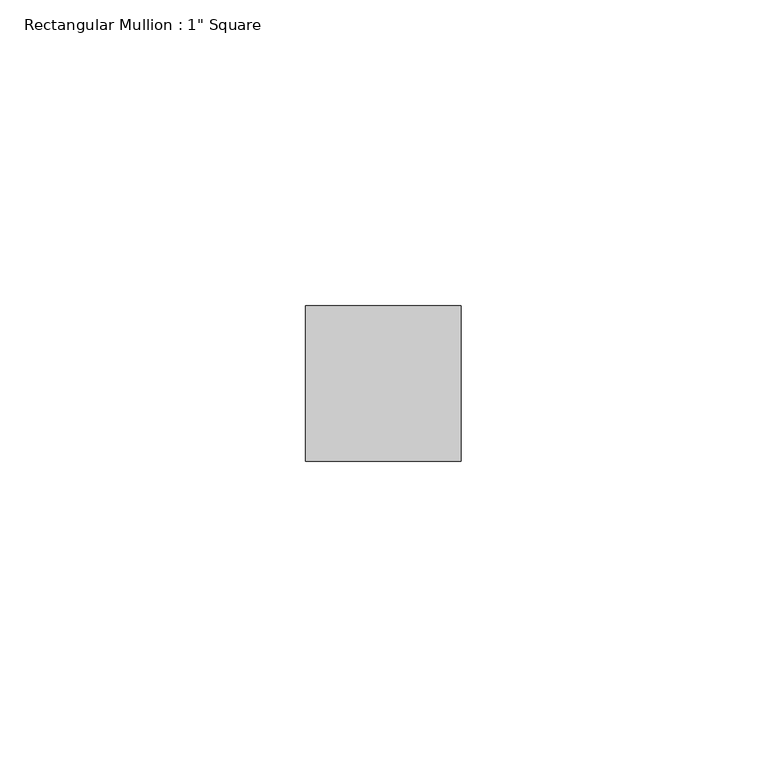
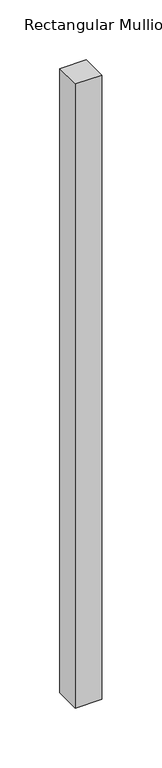
"""IFC4 building model written with IfcOpenShell, lengths in millimetres: member geometry."""

import ifcopenshell
import ifcopenshell.guid

model = None  # the IFC model being written
_history = None  # IfcOwnerHistory: only IFC2X3 demands one
_inside = {}  # id of a spatial element -> (the spatial element, [elements in it])
_under = {}  # id of a project, library or spatial element -> (it, [spatial elements below it])
_declared = {}  # id of a project -> (the project, [libraries it declares])
_typed = {}  # id of a type object -> (the type object, [elements of that type])
_made_of = {}  # id of a material, layer set ... -> (it, [elements and type objects made of it])


def new_model(schema):
    """Start an empty IFC model of exactly this schema.

    Asked for "IFC4X3", IfcOpenShell would pick the latest addendum, in which some entities
    have other attributes; the version numbers below select the first issue.
    IFC2X3 requires an IfcOwnerHistory on every rooted entity: one is made here for all.
    """
    global model, _history
    if schema == "IFC4X3":
        model = ifcopenshell.file(schema_version=(4, 3, 0, 0))
    else:
        model = ifcopenshell.file(schema=schema)
    _inside.clear()
    _under.clear()
    _declared.clear()
    _typed.clear()
    _made_of.clear()
    _history = None
    if model.schema == "IFC2X3":
        org = make("IfcOrganization", Name="unknown")
        user = make(
            "IfcPersonAndOrganization",
            ThePerson=make("IfcPerson", FamilyName="unknown"),
            TheOrganization=org,
        )
        app = make(
            "IfcApplication",
            ApplicationDeveloper=org,
            Version="unknown",
            ApplicationFullName="unknown",
            ApplicationIdentifier="unknown",
        )
        _history = make(
            "IfcOwnerHistory",
            OwningUser=user,
            OwningApplication=app,
            ChangeAction="ADDED",
            CreationDate=0,
        )
    return model


def make(cls, **values):
    """One entity of the class cls with the attributes given. An attribute that is None is left unset."""
    return model.create_entity(
        cls, **{name: value for name, value in values.items() if value is not None}
    )


def rooted(cls, **values):
    """An entity with a GlobalId (a new one), such as an element, a storey or a relation."""
    return make(cls, GlobalId=ifcopenshell.guid.new(), OwnerHistory=_history, **values)


def si_unit(unit_type, name, prefix=None):
    """IfcSIUnit, for example si_unit("LENGTHUNIT", "METRE", prefix="MILLI")."""
    return make("IfcSIUnit", UnitType=unit_type, Prefix=prefix, Name=name)


def assignment(units):
    """IfcUnitAssignment: the units of a project."""
    return None if units is None else make("IfcUnitAssignment", Units=units)


def point(xyz):
    """IfcCartesianPoint."""
    return None if xyz is None else make("IfcCartesianPoint", Coordinates=xyz)


def direction(xyz):
    """IfcDirection."""
    return None if xyz is None else make("IfcDirection", DirectionRatios=xyz)


def frame(location, z_axis=None, x_axis=None):
    """IfcAxis2Placement3D, a coordinate frame: its origin and axes. An axis left out is left unset."""
    return make(
        "IfcAxis2Placement3D",
        Location=point(location),
        Axis=direction(z_axis),
        RefDirection=direction(x_axis),
    )


def origin():
    """The frame at (0, 0, 0) with its axes left unset."""
    return frame((0.0, 0.0, 0.0))


def place(relative_to, where):
    """IfcLocalPlacement: puts the frame where relative to a parent placement (None: the world)."""
    return make(
        "IfcLocalPlacement", PlacementRelTo=relative_to, RelativePlacement=where
    )


def context(
    kind, dimensions, precision=None, world=None, true_north=None, identifier=None
):
    """IfcGeometricRepresentationContext, for example the 3D "Model" context."""
    return make(
        "IfcGeometricRepresentationContext",
        ContextIdentifier=identifier,
        ContextType=kind,
        CoordinateSpaceDimension=dimensions,
        Precision=precision,
        WorldCoordinateSystem=world,
        TrueNorth=true_north,
    )


def project(units=None, contexts=None):
    """IfcProject with its units and contexts."""
    return rooted(
        "IfcProject",
        Name="project",
        RepresentationContexts=contexts,
        UnitsInContext=assignment(units),
    )


def spatial(cls, under=None, at=None, **own):
    """A site, building, storey or space (cls), placed at a placement, below another one or the project."""
    s = rooted(cls, ObjectPlacement=at, **own)
    if under is not None:
        _under.setdefault(under.id(), (under, []))[1].append(s)
    return s


def polyline(points):
    """IfcPolyline through the points."""
    return make("IfcPolyline", Points=[point(p) for p in points])


def outline(outer, holes=None, kind="AREA"):
    """IfcArbitraryClosedProfileDef: a profile drawn as a closed curve; with holes, ...WithVoids."""
    if holes is None:
        return make("IfcArbitraryClosedProfileDef", ProfileType=kind, OuterCurve=outer)
    return make(
        "IfcArbitraryProfileDefWithVoids",
        ProfileType=kind,
        OuterCurve=outer,
        InnerCurves=holes,
    )


def extrude(swept, where, along, depth):
    """IfcExtrudedAreaSolid: the profile swept, set in the frame where, extruded along a direction by depth."""
    return make(
        "IfcExtrudedAreaSolid",
        SweptArea=swept,
        Position=where,
        ExtrudedDirection=direction(along),
        Depth=depth,
    )


def shape(context_of_items, identifier, shape_type, items):
    """IfcShapeRepresentation: the items that make up one representation, for example the "Body"."""
    return make(
        "IfcShapeRepresentation",
        ContextOfItems=context_of_items,
        RepresentationIdentifier=identifier,
        RepresentationType=shape_type,
        Items=items,
    )


def source(mapping_origin, context_of_items, identifier, shape_type, items):
    """IfcRepresentationMap: a shape defined once, which mapped items show again and again."""
    return make(
        "IfcRepresentationMap",
        MappingOrigin=mapping_origin,
        MappedRepresentation=shape(context_of_items, identifier, shape_type, items),
    )


def transform(
    local_origin,
    x_axis=None,
    y_axis=None,
    z_axis=None,
    scale=None,
    scale2=None,
    scale3=None,
    uniform=True,
):
    """IfcCartesianTransformationOperator3D, or its non-uniform kind. x_axis, y_axis, z_axis: its Axis1, 2, 3."""
    if uniform:
        return make(
            "IfcCartesianTransformationOperator3D",
            Axis1=direction(x_axis),
            Axis2=direction(y_axis),
            LocalOrigin=point(local_origin),
            Scale=scale,
            Axis3=direction(z_axis),
        )
    return make(
        "IfcCartesianTransformationOperator3DnonUniform",
        Axis1=direction(x_axis),
        Axis2=direction(y_axis),
        LocalOrigin=point(local_origin),
        Scale=scale,
        Axis3=direction(z_axis),
        Scale2=scale2,
        Scale3=scale3,
    )


def mapped(mapping_source, mapping_target):
    """IfcMappedItem: shows the shape of a source again, moved by a transform."""
    return make(
        "IfcMappedItem", MappingSource=mapping_source, MappingTarget=mapping_target
    )


def made_of(thing, what):
    """Note that an element or type object is made of a material, layer set ...; save() writes the relation."""
    if what is not None:
        _made_of.setdefault(what.id(), (what, []))[1].append(thing)
    return thing


def element(
    cls,
    number,
    at=None,
    inside=None,
    cuts=None,
    type_object=None,
    material=None,
    context=None,
    identifier="Body",
    shape_type=None,
    held_by="IfcProductDefinitionShape",
    body=None,
    shapes=None,
    **own,
):
    """One element of the class cls, such as IfcWall. Its Tag is "e" and its number.

    at: its placement. inside: the storey or other place that contains it. cuts: it is an
    opening in that element (IfcRelVoidsElement). A single representation is given by context,
    identifier, shape_type and body (its items); several are given by shapes. held_by: the class
    of the entity that holds the representations. save() writes the other relations.
    """
    e = rooted(cls, Tag="e%d" % number, ObjectPlacement=at, **own)
    if body is not None:
        shapes = [shape(context, identifier, shape_type, body)]
    if shapes is not None:
        e.Representation = make(held_by, Representations=shapes)
    if inside is not None:
        _inside.setdefault(inside.id(), (inside, []))[1].append(e)
    if cuts is not None:
        rooted(
            "IfcRelVoidsElement", RelatingBuildingElement=cuts, RelatedOpeningElement=e
        )
    if type_object is not None:
        _typed.setdefault(type_object.id(), (type_object, []))[1].append(e)
    return made_of(e, material)


def aggregate(whole, parts):
    """IfcRelAggregates: a whole, such as a stair, and the parts it consists of."""
    return rooted("IfcRelAggregates", RelatingObject=whole, RelatedObjects=parts)


def save(model, path):
    """Write the relations noted so far, then the file.

    IfcRelAggregates (storeys below a building ...), IfcRelContainedInSpatialStructure (elements
    in a storey), IfcRelDefinesByType, IfcRelAssociatesMaterial and IfcRelDeclares: one each for
    every whole, place, type object, material and project.
    """
    for whole, parts in _under.values():
        aggregate(whole, parts)
    for where, things in _inside.values():
        rooted(
            "IfcRelContainedInSpatialStructure",
            RelatedElements=things,
            RelatingStructure=where,
        )
    for kind, things in _typed.values():
        rooted("IfcRelDefinesByType", RelatedObjects=things, RelatingType=kind)
    for what, things in _made_of.values():
        rooted("IfcRelAssociatesMaterial", RelatedObjects=things, RelatingMaterial=what)
    for by, libraries in _declared.values():
        rooted("IfcRelDeclares", RelatingContext=by, RelatedDefinitions=libraries)
    model.write(path)


def member_795d39c7(model_context):
    return source(origin(), model_context, "Body", "SweptSolid", [
        extrude(outline(polyline([(12.7, 12.7), (12.7, -12.7), (-12.7, -12.7), (-12.7, 12.7), (12.7, 12.7)])), frame((0.0, 0.0, -635.0), z_axis=(0.0, 0.0, 1.0), x_axis=(1.0, 0.0, 0.0)), (0.0, 0.0, 1.0), 635.0),
    ])


if __name__ == "__main__":
    model = new_model("IFC4")
    model_context = context("Model", 3, world=origin())
    ifc_project = project(units=[si_unit("LENGTHUNIT", "METRE", prefix="MILLI")], contexts=[model_context])
    site = spatial("IfcSite", under=ifc_project)
    building = spatial("IfcBuilding", under=site)
    placement = place(None, origin())
    member_shape = member_795d39c7(model_context)
    element("IfcMember", 1, ObjectType="Rectangular Mullion : 1\" Square", at=placement, inside=building, context=model_context, shape_type="MappedRepresentation", body=[
        mapped(member_shape, transform((0.0, 0.0, 0.0), x_axis=(1.0, 0.0, 0.0), y_axis=(0.0, 1.0, 0.0), z_axis=(0.0, 0.0, 1.0))),
    ])
    save(model, "model.ifc")
